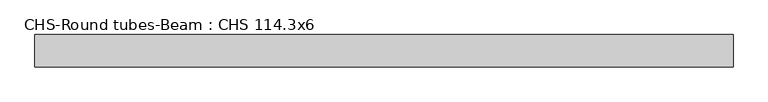
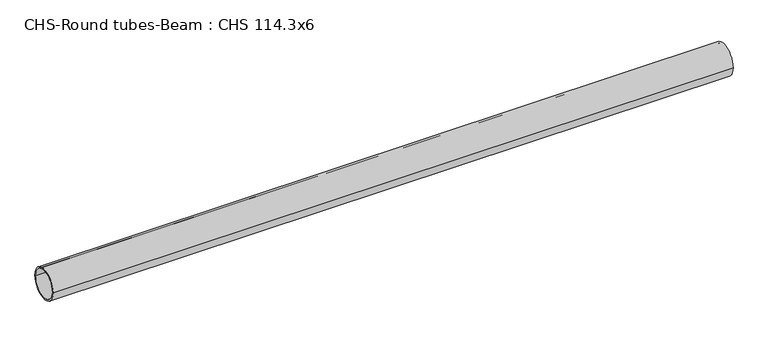
"""IFC4 building model written with IfcOpenShell, lengths in millimetres: beam geometry, CHS-Round tubes-Beam : CHS 114.3x6."""

import ifcopenshell
import ifcopenshell.guid

model = None  # the IFC model being written
_history = None  # IfcOwnerHistory: only IFC2X3 demands one
_inside = {}  # id of a spatial element -> (the spatial element, [elements in it])
_under = {}  # id of a project, library or spatial element -> (it, [spatial elements below it])
_declared = {}  # id of a project -> (the project, [libraries it declares])
_typed = {}  # id of a type object -> (the type object, [elements of that type])
_made_of = {}  # id of a material, layer set ... -> (it, [elements and type objects made of it])


def new_model(schema):
    """Start an empty IFC model of exactly this schema.

    Asked for "IFC4X3", IfcOpenShell would pick the latest addendum, in which some entities
    have other attributes; the version numbers below select the first issue.
    IFC2X3 requires an IfcOwnerHistory on every rooted entity: one is made here for all.
    """
    global model, _history
    if schema == "IFC4X3":
        model = ifcopenshell.file(schema_version=(4, 3, 0, 0))
    else:
        model = ifcopenshell.file(schema=schema)
    _inside.clear()
    _under.clear()
    _declared.clear()
    _typed.clear()
    _made_of.clear()
    _history = None
    if model.schema == "IFC2X3":
        org = make("IfcOrganization", Name="unknown")
        user = make(
            "IfcPersonAndOrganization",
            ThePerson=make("IfcPerson", FamilyName="unknown"),
            TheOrganization=org,
        )
        app = make(
            "IfcApplication",
            ApplicationDeveloper=org,
            Version="unknown",
            ApplicationFullName="unknown",
            ApplicationIdentifier="unknown",
        )
        _history = make(
            "IfcOwnerHistory",
            OwningUser=user,
            OwningApplication=app,
            ChangeAction="ADDED",
            CreationDate=0,
        )
    return model


def make(cls, **values):
    """One entity of the class cls with the attributes given. An attribute that is None is left unset."""
    return model.create_entity(
        cls, **{name: value for name, value in values.items() if value is not None}
    )


def rooted(cls, **values):
    """An entity with a GlobalId (a new one), such as an element, a storey or a relation."""
    return make(cls, GlobalId=ifcopenshell.guid.new(), OwnerHistory=_history, **values)


def si_unit(unit_type, name, prefix=None):
    """IfcSIUnit, for example si_unit("LENGTHUNIT", "METRE", prefix="MILLI")."""
    return make("IfcSIUnit", UnitType=unit_type, Prefix=prefix, Name=name)


def assignment(units):
    """IfcUnitAssignment: the units of a project."""
    return None if units is None else make("IfcUnitAssignment", Units=units)


def point(xyz):
    """IfcCartesianPoint."""
    return None if xyz is None else make("IfcCartesianPoint", Coordinates=xyz)


def direction(xyz):
    """IfcDirection."""
    return None if xyz is None else make("IfcDirection", DirectionRatios=xyz)


def frame(location, z_axis=None, x_axis=None):
    """IfcAxis2Placement3D, a coordinate frame: its origin and axes. An axis left out is left unset."""
    return make(
        "IfcAxis2Placement3D",
        Location=point(location),
        Axis=direction(z_axis),
        RefDirection=direction(x_axis),
    )


def frame_2d(location, x_axis=None):
    """IfcAxis2Placement2D, a coordinate frame in the plane: its origin and x axis."""
    return make(
        "IfcAxis2Placement2D", Location=point(location), RefDirection=direction(x_axis)
    )


def origin():
    """The frame at (0, 0, 0) with its axes left unset."""
    return frame((0.0, 0.0, 0.0))


def origin_2d():
    """The frame at (0, 0) in the plane with its x axis left unset."""
    return frame_2d((0.0, 0.0))


def place(relative_to, where):
    """IfcLocalPlacement: puts the frame where relative to a parent placement (None: the world)."""
    return make(
        "IfcLocalPlacement", PlacementRelTo=relative_to, RelativePlacement=where
    )


def context(
    kind, dimensions, precision=None, world=None, true_north=None, identifier=None
):
    """IfcGeometricRepresentationContext, for example the 3D "Model" context."""
    return make(
        "IfcGeometricRepresentationContext",
        ContextIdentifier=identifier,
        ContextType=kind,
        CoordinateSpaceDimension=dimensions,
        Precision=precision,
        WorldCoordinateSystem=world,
        TrueNorth=true_north,
    )


def project(units=None, contexts=None):
    """IfcProject with its units and contexts."""
    return rooted(
        "IfcProject",
        Name="project",
        RepresentationContexts=contexts,
        UnitsInContext=assignment(units),
    )


def spatial(cls, under=None, at=None, **own):
    """A site, building, storey or space (cls), placed at a placement, below another one or the project."""
    s = rooted(cls, ObjectPlacement=at, **own)
    if under is not None:
        _under.setdefault(under.id(), (under, []))[1].append(s)
    return s


def circle_curve(where, radius):
    """IfcCircle in the frame where."""
    return make("IfcCircle", Position=where, Radius=radius)


def trimmed(basis, trim1, trim2, sense, master):
    """IfcTrimmedCurve: the piece of a basis curve between two trims."""
    return make(
        "IfcTrimmedCurve",
        BasisCurve=basis,
        Trim1=trim1,
        Trim2=trim2,
        SenseAgreement=sense,
        MasterRepresentation=master,
    )


def segment(curve, same_sense, transition):
    """IfcCompositeCurveSegment."""
    return make(
        "IfcCompositeCurveSegment",
        Transition=transition,
        SameSense=same_sense,
        ParentCurve=curve,
    )


def composite_curve(segments, self_intersect=None):
    """IfcCompositeCurve: segments joined end to end."""
    return make("IfcCompositeCurve", Segments=segments, SelfIntersect=self_intersect)


def outline(outer, holes=None, kind="AREA"):
    """IfcArbitraryClosedProfileDef: a profile drawn as a closed curve; with holes, ...WithVoids."""
    if holes is None:
        return make("IfcArbitraryClosedProfileDef", ProfileType=kind, OuterCurve=outer)
    return make(
        "IfcArbitraryProfileDefWithVoids",
        ProfileType=kind,
        OuterCurve=outer,
        InnerCurves=holes,
    )


def extrude(swept, where, along, depth):
    """IfcExtrudedAreaSolid: the profile swept, set in the frame where, extruded along a direction by depth."""
    return make(
        "IfcExtrudedAreaSolid",
        SweptArea=swept,
        Position=where,
        ExtrudedDirection=direction(along),
        Depth=depth,
    )


def shape(context_of_items, identifier, shape_type, items):
    """IfcShapeRepresentation: the items that make up one representation, for example the "Body"."""
    return make(
        "IfcShapeRepresentation",
        ContextOfItems=context_of_items,
        RepresentationIdentifier=identifier,
        RepresentationType=shape_type,
        Items=items,
    )


def source(mapping_origin, context_of_items, identifier, shape_type, items):
    """IfcRepresentationMap: a shape defined once, which mapped items show again and again."""
    return make(
        "IfcRepresentationMap",
        MappingOrigin=mapping_origin,
        MappedRepresentation=shape(context_of_items, identifier, shape_type, items),
    )


def transform(
    local_origin,
    x_axis=None,
    y_axis=None,
    z_axis=None,
    scale=None,
    scale2=None,
    scale3=None,
    uniform=True,
):
    """IfcCartesianTransformationOperator3D, or its non-uniform kind. x_axis, y_axis, z_axis: its Axis1, 2, 3."""
    if uniform:
        return make(
            "IfcCartesianTransformationOperator3D",
            Axis1=direction(x_axis),
            Axis2=direction(y_axis),
            LocalOrigin=point(local_origin),
            Scale=scale,
            Axis3=direction(z_axis),
        )
    return make(
        "IfcCartesianTransformationOperator3DnonUniform",
        Axis1=direction(x_axis),
        Axis2=direction(y_axis),
        LocalOrigin=point(local_origin),
        Scale=scale,
        Axis3=direction(z_axis),
        Scale2=scale2,
        Scale3=scale3,
    )


def mapped(mapping_source, mapping_target):
    """IfcMappedItem: shows the shape of a source again, moved by a transform."""
    return make(
        "IfcMappedItem", MappingSource=mapping_source, MappingTarget=mapping_target
    )


def made_of(thing, what):
    """Note that an element or type object is made of a material, layer set ...; save() writes the relation."""
    if what is not None:
        _made_of.setdefault(what.id(), (what, []))[1].append(thing)
    return thing


def element(
    cls,
    number,
    at=None,
    inside=None,
    cuts=None,
    type_object=None,
    material=None,
    context=None,
    identifier="Body",
    shape_type=None,
    held_by="IfcProductDefinitionShape",
    body=None,
    shapes=None,
    **own,
):
    """One element of the class cls, such as IfcWall. Its Tag is "e" and its number.

    at: its placement. inside: the storey or other place that contains it. cuts: it is an
    opening in that element (IfcRelVoidsElement). A single representation is given by context,
    identifier, shape_type and body (its items); several are given by shapes. held_by: the class
    of the entity that holds the representations. save() writes the other relations.
    """
    e = rooted(cls, Tag="e%d" % number, ObjectPlacement=at, **own)
    if body is not None:
        shapes = [shape(context, identifier, shape_type, body)]
    if shapes is not None:
        e.Representation = make(held_by, Representations=shapes)
    if inside is not None:
        _inside.setdefault(inside.id(), (inside, []))[1].append(e)
    if cuts is not None:
        rooted(
            "IfcRelVoidsElement", RelatingBuildingElement=cuts, RelatedOpeningElement=e
        )
    if type_object is not None:
        _typed.setdefault(type_object.id(), (type_object, []))[1].append(e)
    return made_of(e, material)


def aggregate(whole, parts):
    """IfcRelAggregates: a whole, such as a stair, and the parts it consists of."""
    return rooted("IfcRelAggregates", RelatingObject=whole, RelatedObjects=parts)


def save(model, path):
    """Write the relations noted so far, then the file.

    IfcRelAggregates (storeys below a building ...), IfcRelContainedInSpatialStructure (elements
    in a storey), IfcRelDefinesByType, IfcRelAssociatesMaterial and IfcRelDeclares: one each for
    every whole, place, type object, material and project.
    """
    for whole, parts in _under.values():
        aggregate(whole, parts)
    for where, things in _inside.values():
        rooted(
            "IfcRelContainedInSpatialStructure",
            RelatedElements=things,
            RelatingStructure=where,
        )
    for kind, things in _typed.values():
        rooted("IfcRelDefinesByType", RelatedObjects=things, RelatingType=kind)
    for what, things in _made_of.values():
        rooted("IfcRelAssociatesMaterial", RelatedObjects=things, RelatingMaterial=what)
    for by, libraries in _declared.values():
        rooted("IfcRelDeclares", RelatingContext=by, RelatedDefinitions=libraries)
    model.write(path)


def chs_round_tubes_beam_chs_114_3x6_d4e7924b(model_context):
    return source(origin(), model_context, "Body", "SweptSolid", [
        extrude(outline(composite_curve([segment(trimmed(circle_curve(origin_2d(), 57.15), [point((57.15, 0.0))], [point((-57.15, 0.0))], False, "CARTESIAN"), True, "CONTINUOUS"), segment(trimmed(circle_curve(origin_2d(), 57.15), [point((-57.15, 0.0))], [point((57.15, 0.0))], False, "CARTESIAN"), True, "CONTINUOUS")], self_intersect=False), holes=[composite_curve([segment(trimmed(circle_curve(origin_2d(), 51.15), [point((51.15, 0.0))], [point((-51.15, 0.0))], True, "CARTESIAN"), True, "CONTINUOUS"), segment(trimmed(circle_curve(origin_2d(), 51.15), [point((-51.15, 0.0))], [point((51.15, 0.0))], True, "CARTESIAN"), True, "CONTINUOUS")], self_intersect=False)]), frame((-1184.6536335, 0.0, 0.0), z_axis=(1.0, 0.0, 0.0), x_axis=(0.0, 1.0, 0.0)), (0.0, 0.0, 1.0), 2475.200006),
    ])


if __name__ == "__main__":
    model = new_model("IFC4")
    model_context = context("Model", 3, world=origin())
    ifc_project = project(units=[si_unit("LENGTHUNIT", "METRE", prefix="MILLI")], contexts=[model_context])
    site = spatial("IfcSite", under=ifc_project)
    building = spatial("IfcBuilding", under=site)
    placement = place(None, origin())
    chs_round_tubes_beam_chs_114_3x6_shape = chs_round_tubes_beam_chs_114_3x6_d4e7924b(model_context)
    element("IfcBeam", 1, ObjectType="CHS-Round tubes-Beam : CHS 114.3x6", at=placement, inside=building, context=model_context, shape_type="MappedRepresentation", body=[
        mapped(chs_round_tubes_beam_chs_114_3x6_shape, transform((0.0, 0.0, 0.0), x_axis=(1.0, 0.0, 0.0), y_axis=(0.0, 1.0, 0.0), z_axis=(0.0, 0.0, 1.0))),
    ])
    save(model, "model.ifc")
